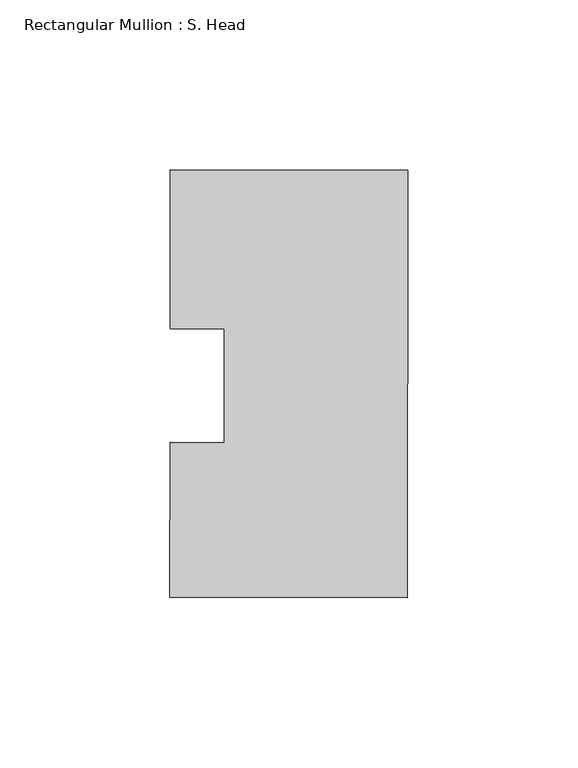
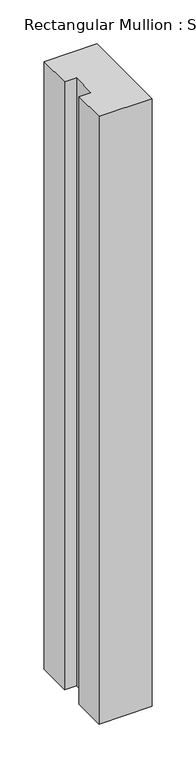
"""IFC4 building model written with IfcOpenShell, lengths in millimetres: member geometry, Rectangular Mullion : S. Head."""

from ifc_helpers import new_model, si_unit, frame, origin, place, context, project, spatial, polyline, outline, extrude, source, transform, mapped, element, save


def rectangular_mullion_s_head_296be331(model_context):
    return source(origin(), model_context, "Body", "SweptSolid", [
        extrude(outline(polyline([(-69.9433395, -16.6773033), (-54.0683503, -16.6957868), (-54.0294719, 16.6957868), (-69.9044612, 16.7142704), (-69.8499527, 63.5301323), (0.0, 63.4488048), (-0.1464486, -62.3319099), (-69.9964013, -62.2505824), (-69.9433395, -16.6773033)])), frame((0.0, 0.0, -844.4576836), z_axis=(0.0, 0.0, 1.0), x_axis=(1.0, 0.0, 0.0)), (0.0, 0.0, 1.0), 844.4576836),
    ])


if __name__ == "__main__":
    model = new_model("IFC4")
    model_context = context("Model", 3, world=origin())
    ifc_project = project(units=[si_unit("LENGTHUNIT", "METRE", prefix="MILLI")], contexts=[model_context])
    site = spatial("IfcSite", under=ifc_project)
    building = spatial("IfcBuilding", under=site)
    placement = place(None, origin())
    rectangular_mullion_s_head_shape = rectangular_mullion_s_head_296be331(model_context)
    element("IfcMember", 1, ObjectType="Rectangular Mullion : S. Head", at=placement, inside=building, context=model_context, shape_type="MappedRepresentation", body=[
        mapped(rectangular_mullion_s_head_shape, transform((0.0, 0.0, 0.0), x_axis=(1.0, 0.0, 0.0), y_axis=(0.0, 1.0, 0.0), z_axis=(0.0, 0.0, 1.0))),
    ])
    save(model, "model.ifc")
